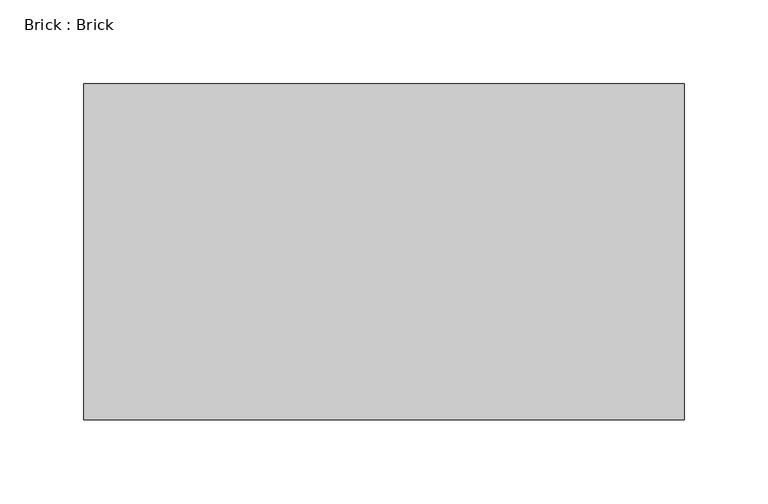
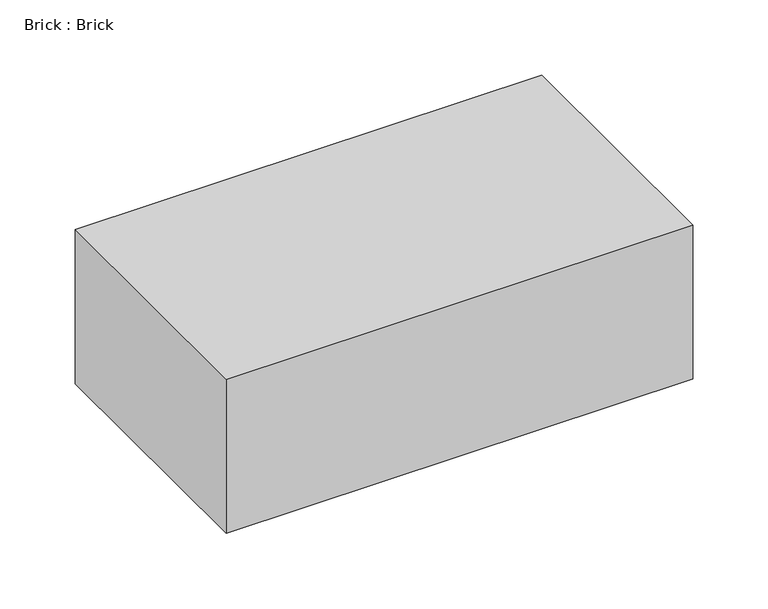
"""IFC4 building model written with IfcOpenShell, lengths in millimetres: proxy geometry, Brick : Brick."""

from ifc_helpers import new_model, si_unit, frame, origin, place, context, project, spatial, polyline, outline, extrude, source, transform, mapped, element, save


def brick_brick_37cacd16(model_context):
    return source(origin(), model_context, "Body", "SweptSolid", [
        extrude(outline(polyline([(178.7, 100.0), (178.7, -100.0), (-178.7, -100.0), (-178.7, 100.0), (178.7, 100.0)])), frame((0.0, 0.0, -62.5), z_axis=(0.0, 0.0, 1.0), x_axis=(1.0, 0.0, 0.0)), (0.0, 0.0, 1.0), 125.0),
    ])


if __name__ == "__main__":
    model = new_model("IFC4")
    model_context = context("Model", 3, world=origin())
    ifc_project = project(units=[si_unit("LENGTHUNIT", "METRE", prefix="MILLI")], contexts=[model_context])
    site = spatial("IfcSite", under=ifc_project)
    building = spatial("IfcBuilding", under=site)
    placement = place(None, origin())
    brick_brick_shape = brick_brick_37cacd16(model_context)
    element("IfcBuildingElementProxy", 1, Name="Brick : Brick", ObjectType="Brick : Brick", at=placement, inside=building, context=model_context, shape_type="MappedRepresentation", body=[
        mapped(brick_brick_shape, transform((0.0, 0.0, 0.0), x_axis=(1.0, 0.0, 0.0), y_axis=(0.0, 1.0, 0.0), z_axis=(0.0, 0.0, 1.0))),
    ])
    save(model, "model.ifc")
